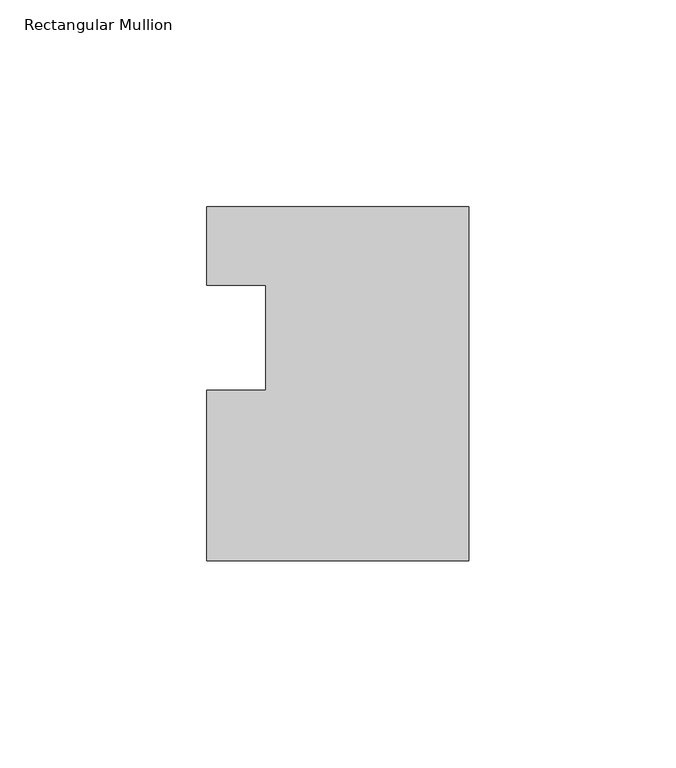
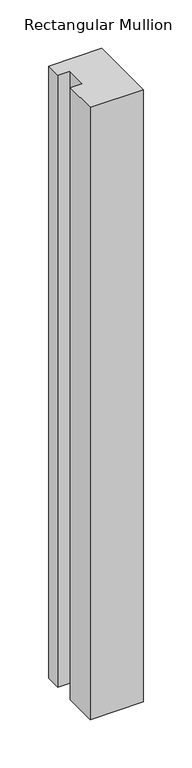
"""IFC4 building model written with IfcOpenShell, lengths in millimetres: member geometry, Rectangular Mullion."""

from ifc_helpers import new_model, si_unit, frame, origin, place, context, project, spatial, polyline, outline, extrude, source, transform, mapped, element, save


def rectangular_mullion_c4d62078(model_context):
    return source(origin(), model_context, "Body", "SweptSolid", [
        extrude(outline(polyline([(-0.000129, 31.7245455), (0.0, -54.0133409), (-63.5, -54.0134364), (-63.5000621, -12.738415), (-49.2252621, -12.738415), (-49.2253003, 12.661585), (-63.4960612, 12.6616148), (-63.4999406, 31.7116144), (-0.000129, 31.7245455)])), frame((0.0, 0.0, -770.2951644), z_axis=(0.0, 0.0, 1.0), x_axis=(1.0, 0.0, 0.0)), (0.0, 0.0, 1.0), 770.2951644),
    ])


if __name__ == "__main__":
    model = new_model("IFC4")
    model_context = context("Model", 3, world=origin())
    ifc_project = project(units=[si_unit("LENGTHUNIT", "METRE", prefix="MILLI")], contexts=[model_context])
    site = spatial("IfcSite", under=ifc_project)
    building = spatial("IfcBuilding", under=site)
    placement = place(None, origin())
    rectangular_mullion_shape = rectangular_mullion_c4d62078(model_context)
    element("IfcMember", 1, ObjectType="Rectangular Mullion", at=placement, inside=building, context=model_context, shape_type="MappedRepresentation", body=[
        mapped(rectangular_mullion_shape, transform((0.0, 0.0, 0.0), x_axis=(1.0, 0.0, 0.0), y_axis=(0.0, 1.0, 0.0), z_axis=(0.0, 0.0, 1.0))),
    ])
    save(model, "model.ifc")
